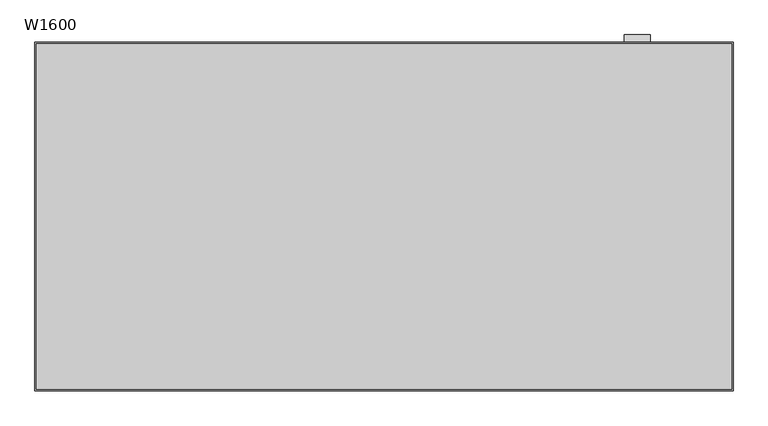
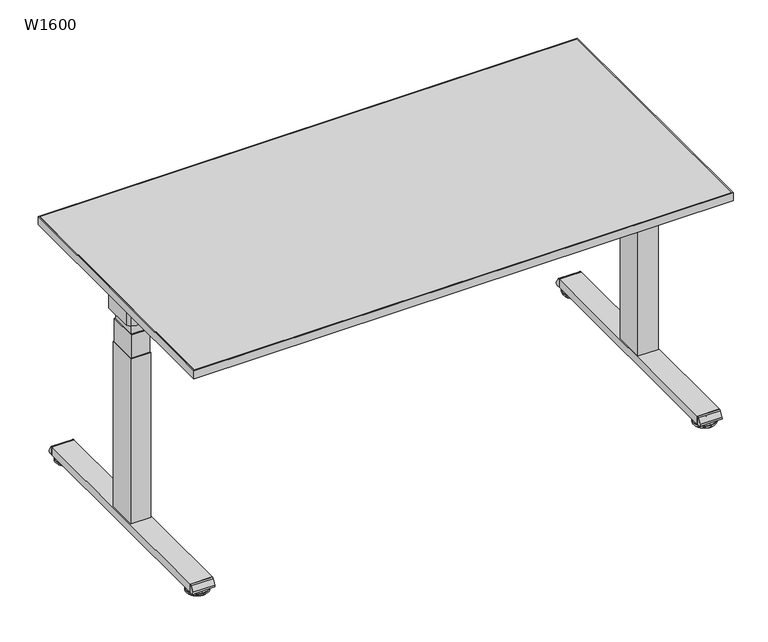
"""IFC4 building model written with IfcOpenShell, lengths in millimetres: furniture geometry, W1600."""

from ifc_helpers import new_model, si_unit, point, frame, frame_2d, origin, place, context, project, spatial, polyline, circle_curve, trimmed, segment, composite_curve, outline, extrude, faceted_brep, source, transform, mapped, element, save
from ifc_brep_helpers import plane_surface, cylinder_surface, revolved_surface, advanced_brep


def w1600_e3714540(model_context):
    return source(origin(), model_context, "Body", "SolidModel", [
        extrude(outline(polyline([(1509.0, 357.5), (91.0, 357.5), (91.0, 442.5), (1509.0, 442.5), (1509.0, 357.5)])), frame((0.0, 0.0, 667.0), z_axis=(0.0, 0.0, 1.0), x_axis=(1.0, 0.0, 0.0)), (0.0, 0.0, 1.0), 48.0),
        extrude(outline(composite_curve([segment(polyline([(1596.0, 444.4972027), (1596.0, 355.5027973)]), True, "CONTINUOUS"), segment(trimmed(circle_curve(frame_2d((1573.2844551, 370.6051429)), 27.2777716), [point((1596.0, 355.5027973))], [point((1585.2226587, 346.0785019))], False, "CARTESIAN"), True, "CONTINUOUS"), segment(trimmed(circle_curve(frame_2d((1567.407844, 382.6784442)), 40.705324), [point((1585.2226587, 346.0785019))], [point((1567.8222685, 341.9752299))], False, "CARTESIAN"), True, "CONTINUOUS"), segment(trimmed(circle_curve(frame_2d((1552.5, 1846.8708411)), 1504.9736119), [point((1567.8222685, 341.9752299))], [point((1537.1777315, 341.9752299))], False, "CARTESIAN"), True, "CONTINUOUS"), segment(trimmed(circle_curve(frame_2d((1537.592156, 382.6784442)), 40.705324), [point((1537.1777315, 341.9752299))], [point((1519.7773413, 346.0785019))], False, "CARTESIAN"), True, "CONTINUOUS"), segment(trimmed(circle_curve(frame_2d((1531.7155449, 370.6051429)), 27.2777716), [point((1519.7773413, 346.0785019))], [point((1509.0, 355.5027973))], False, "CARTESIAN"), True, "CONTINUOUS"), segment(polyline([(1509.0, 355.5027973), (1509.0, 444.4972027)]), True, "CONTINUOUS"), segment(trimmed(circle_curve(frame_2d((1531.7155449, 429.3948571)), 27.2777716), [point((1509.0, 444.4972027))], [point((1519.7773413, 453.9214981))], False, "CARTESIAN"), True, "CONTINUOUS"), segment(trimmed(circle_curve(frame_2d((1537.592156, 417.3215558)), 40.705324), [point((1519.7773413, 453.9214981))], [point((1537.1777315, 458.02477))], False, "CARTESIAN"), True, "CONTINUOUS"), segment(trimmed(circle_curve(frame_2d((1552.5, -1046.8708411)), 1504.9736119), [point((1537.1777315, 458.02477))], [point((1567.8222685, 458.02477))], False, "CARTESIAN"), True, "CONTINUOUS"), segment(trimmed(circle_curve(frame_2d((1567.407844, 417.3215558)), 40.705324), [point((1567.8222685, 458.02477))], [point((1585.2226587, 453.9214981))], False, "CARTESIAN"), True, "CONTINUOUS"), segment(trimmed(circle_curve(frame_2d((1573.2844551, 429.3948571)), 27.2777716), [point((1585.2226587, 453.9214981))], [point((1596.0, 444.4972027))], False, "CARTESIAN"), True, "CONTINUOUS")], self_intersect=False)), frame((0.0, 0.0, 667.0), z_axis=(0.0, 0.0, 1.0), x_axis=(1.0, 0.0, 0.0)), (0.0, 0.0, 1.0), 48.0),
        extrude(outline(composite_curve([segment(polyline([(755.0, 13.4998704), (755.0, 38.4999819), (755.9552679, 38.4999819)]), True, "CONTINUOUS"), segment(trimmed(circle_curve(frame_2d((755.9552679, 33.4999819)), 5.0), [point((755.9552679, 38.4999819))], [point((760.2856529, 35.999535))], False, "CARTESIAN"), True, "CONTINUOUS"), segment(polyline([(760.2856529, 35.999535), (768.9439076, 20.9994236)]), True, "CONTINUOUS"), segment(trimmed(circle_curve(frame_2d((764.6135226, 18.4998704)), 5.0), [point((768.9439076, 20.9994236))], [point((764.6135226, 13.4998704))], False, "CARTESIAN"), True, "CONTINUOUS"), segment(polyline([(764.6135226, 13.4998704), (755.0, 13.4998704)]), True, "CONTINUOUS")], self_intersect=False)), frame((1520.0, 0.0, 0.0), z_axis=(1.0, 0.0, 0.0), x_axis=(0.0, 1.0, 0.0)), (0.0, 0.0, 1.0), 65.0),
        extrude(outline(composite_curve([segment(polyline([(45.0, 13.4998704), (35.3864774, 13.4998704)]), True, "CONTINUOUS"), segment(trimmed(circle_curve(frame_2d((35.3864774, 18.4998704)), 5.0), [point((35.3864774, 13.4998704))], [point((31.0560924, 20.9994236))], False, "CARTESIAN"), True, "CONTINUOUS"), segment(polyline([(31.0560924, 20.9994236), (39.7143471, 35.999535)]), True, "CONTINUOUS"), segment(trimmed(circle_curve(frame_2d((44.0447321, 33.4999819)), 5.0), [point((39.7143471, 35.999535))], [point((44.0447321, 38.4999819))], False, "CARTESIAN"), True, "CONTINUOUS"), segment(polyline([(44.0447321, 38.4999819), (45.0, 38.4999819), (45.0, 13.4998704)]), True, "CONTINUOUS")], self_intersect=False)), frame((1520.0, 0.0, 0.0), z_axis=(1.0, 0.0, 0.0), x_axis=(0.0, 1.0, 0.0)), (0.0, 0.0, 1.0), 65.0),
        advanced_brep(
        [(1552.5, 735.0, 13.4998704), (1552.5, 742.5, 13.4998704), (1552.5, 727.5, 13.4998704), (1552.5, 742.5, 11.4998704), (1552.5, 727.5, 11.4998704), (1552.5, 744.9928712, 9.0069993), (1552.5, 725.0071288, 9.0069993), (1552.5, 766.5888193, 7.0812515), (1552.5, 703.4111807, 7.0812515), (1552.5, 767.5, 6.0852038), (1552.5, 702.5, 6.0852038), (1552.5, 767.5, 1.0), (1552.5, 702.5, 1.0), (1552.5, 766.5, 0.0), (1552.5, 703.5, 0.0), (1552.5, 735.0, 0.0)],
        [
            (0, 1),
            (1, 2, circle_curve(frame((1552.5, 735.0, 13.4998704), z_axis=(0.0, 0.0, 1.0), x_axis=(0.0, -1.0, 0.0)), 7.5)),
            (2, 0),
            (2, 1, circle_curve(frame((1552.5, 735.0, 13.4998704), z_axis=(0.0, 0.0, 1.0), x_axis=(0.0, -1.0, 0.0)), 7.5)),
            (1, 3),
            (3, 4, circle_curve(frame((1552.5, 735.0, 11.4998704), z_axis=(0.0, 0.0, 1.0), x_axis=(0.0, -1.0, 0.0)), 7.5)),
            (4, 2),
            (4, 3, circle_curve(frame((1552.5, 735.0, 11.4998704), z_axis=(0.0, 0.0, 1.0), x_axis=(0.0, -1.0, 0.0)), 7.5)),
            (3, 5),
            (5, 6, circle_curve(frame((1552.5, 735.0, 9.0069993), z_axis=(0.0, 0.0, 1.0), x_axis=(0.0, -1.0, 0.0)), 9.9928712)),
            (6, 4),
            (6, 5, circle_curve(frame((1552.5, 735.0, 9.0069993), z_axis=(0.0, 0.0, 1.0), x_axis=(0.0, -1.0, 0.0)), 9.9928712)),
            (5, 7),
            (7, 8, circle_curve(frame((1552.5, 735.0, 7.0812515), z_axis=(0.0, 0.0, 1.0), x_axis=(0.0, -1.0, 0.0)), 31.5888193)),
            (8, 6),
            (8, 7, circle_curve(frame((1552.5, 735.0, 7.0812515), z_axis=(0.0, 0.0, 1.0), x_axis=(0.0, -1.0, 0.0)), 31.5888193)),
            (7, 9),
            (9, 10, circle_curve(frame((1552.5, 735.0, 6.0852038), z_axis=(0.0, 0.0, 1.0), x_axis=(0.0, -1.0, 0.0)), 32.5)),
            (10, 8),
            (10, 9, circle_curve(frame((1552.5, 735.0, 6.0852038), z_axis=(0.0, 0.0, 1.0), x_axis=(0.0, -1.0, 0.0)), 32.5)),
            (9, 11),
            (11, 12, circle_curve(frame((1552.5, 735.0, 1.0), z_axis=(0.0, 0.0, 1.0), x_axis=(0.0, -1.0, 0.0)), 32.5)),
            (12, 10),
            (12, 11, circle_curve(frame((1552.5, 735.0, 1.0), z_axis=(0.0, 0.0, 1.0), x_axis=(0.0, -1.0, 0.0)), 32.5)),
            (11, 13),
            (13, 14, circle_curve(frame((1552.5, 735.0, 0.0), z_axis=(0.0, 0.0, 1.0), x_axis=(0.0, -1.0, 0.0)), 31.5)),
            (14, 12),
            (14, 13, circle_curve(frame((1552.5, 735.0, 0.0), z_axis=(0.0, 0.0, 1.0), x_axis=(0.0, -1.0, 0.0)), 31.5)),
            (13, 15),
            (15, 14),
        ],
        [
            plane_surface(frame((1552.5, 735.0, 13.4998704), z_axis=(0.0, 0.0, 1.0), x_axis=(0.0, -1.0, 0.0))),
            cylinder_surface(frame((1552.5, 735.0, -1.9309494), z_axis=(0.0, 0.0, 1.0), x_axis=(0.0, -1.0, 0.0)), 7.5),
            revolved_surface(polyline([(1552.5, 725.0071288, 9.0069993), (1552.5, 727.5, 11.4998704)]), (1552.5, 735.0, -1.9309494), (0.0, 0.0, 1.0)),
            revolved_surface(polyline([(1552.5, 703.4111807, 7.0812515), (1552.5, 725.0071288, 9.0069993)]), (1552.5, 735.0, -1.9309494), (0.0, 0.0, 1.0)),
            revolved_surface(polyline([(1552.5, 702.5, 6.0852038), (1552.5, 703.4111807, 7.0812515)]), (1552.5, 735.0, -1.9309494), (0.0, 0.0, 1.0)),
            cylinder_surface(frame((1552.5, 735.0, -1.9309494), z_axis=(0.0, 0.0, 1.0), x_axis=(0.0, -1.0, 0.0)), 32.5),
            revolved_surface(polyline([(1552.5, 703.5, 0.0), (1552.5, 702.5, 1.0)]), (1552.5, 735.0, -1.9309494), (0.0, 0.0, 1.0)),
            plane_surface(frame((1552.5, 735.0, 0.0), z_axis=(0.0, 0.0, -1.0), x_axis=(0.0, -1.0, 0.0))),
        ],
        [
            (0, [[1, 2, 3]]),
            (0, [[-3, 4, -1]]),
            (1, [[5, 6, 7, -2]]),
            (1, [[-7, 8, -5, -4]]),
            (2, [[9, 10, 11, -6]]),
            (2, [[-11, 12, -9, -8]]),
            (3, [[13, 14, 15, -10]]),
            (3, [[-15, 16, -13, -12]]),
            (4, [[17, 18, 19, -14]]),
            (4, [[-19, 20, -17, -16]]),
            (5, [[21, 22, 23, -18]]),
            (5, [[-23, 24, -21, -20]]),
            (6, [[25, 26, 27, -22]]),
            (6, [[-27, 28, -25, -24]]),
            (7, [[29, 30, -26]]),
            (7, [[-30, -29, -28]]),
        ],
    ),
        advanced_brep(
        [(1552.5, 57.5, 13.4998704), (1552.5, 65.0, 13.4998704), (1552.5, 72.5, 13.4998704), (1552.5, 57.5, 11.4998704), (1552.5, 72.5, 11.4998704), (1552.5, 55.0071288, 9.0069993), (1552.5, 74.9928712, 9.0069993), (1552.5, 33.4111807, 7.0812515), (1552.5, 96.5888193, 7.0812515), (1552.5, 32.5, 6.0852038), (1552.5, 97.5, 6.0852038), (1552.5, 32.5, 1.0), (1552.5, 97.5, 1.0), (1552.5, 33.5, 0.0), (1552.5, 96.5, 0.0), (1552.5, 65.0, 0.0)],
        [
            (0, 1),
            (1, 2),
            (2, 0, circle_curve(frame((1552.5, 65.0, 13.4998704), z_axis=(0.0, 0.0, 1.0), x_axis=(0.0, 1.0, 0.0)), 7.5)),
            (0, 2, circle_curve(frame((1552.5, 65.0, 13.4998704), z_axis=(0.0, 0.0, 1.0), x_axis=(0.0, 1.0, 0.0)), 7.5)),
            (3, 0),
            (2, 4),
            (4, 3, circle_curve(frame((1552.5, 65.0, 11.4998704), z_axis=(0.0, 0.0, 1.0), x_axis=(0.0, 1.0, 0.0)), 7.5)),
            (3, 4, circle_curve(frame((1552.5, 65.0, 11.4998704), z_axis=(0.0, 0.0, 1.0), x_axis=(0.0, 1.0, 0.0)), 7.5)),
            (5, 3),
            (4, 6),
            (6, 5, circle_curve(frame((1552.5, 65.0, 9.0069993), z_axis=(0.0, 0.0, 1.0), x_axis=(0.0, 1.0, 0.0)), 9.9928712)),
            (5, 6, circle_curve(frame((1552.5, 65.0, 9.0069993), z_axis=(0.0, 0.0, 1.0), x_axis=(0.0, 1.0, 0.0)), 9.9928712)),
            (7, 5),
            (6, 8),
            (8, 7, circle_curve(frame((1552.5, 65.0, 7.0812515), z_axis=(0.0, 0.0, 1.0), x_axis=(0.0, 1.0, 0.0)), 31.5888193)),
            (7, 8, circle_curve(frame((1552.5, 65.0, 7.0812515), z_axis=(0.0, 0.0, 1.0), x_axis=(0.0, 1.0, 0.0)), 31.5888193)),
            (9, 7),
            (8, 10),
            (10, 9, circle_curve(frame((1552.5, 65.0, 6.0852038), z_axis=(0.0, 0.0, 1.0), x_axis=(0.0, 1.0, 0.0)), 32.5)),
            (9, 10, circle_curve(frame((1552.5, 65.0, 6.0852038), z_axis=(0.0, 0.0, 1.0), x_axis=(0.0, 1.0, 0.0)), 32.5)),
            (11, 9),
            (10, 12),
            (12, 11, circle_curve(frame((1552.5, 65.0, 1.0), z_axis=(0.0, 0.0, 1.0), x_axis=(0.0, 1.0, 0.0)), 32.5)),
            (11, 12, circle_curve(frame((1552.5, 65.0, 1.0), z_axis=(0.0, 0.0, 1.0), x_axis=(0.0, 1.0, 0.0)), 32.5)),
            (13, 11),
            (12, 14),
            (14, 13, circle_curve(frame((1552.5, 65.0, 0.0), z_axis=(0.0, 0.0, 1.0), x_axis=(0.0, 1.0, 0.0)), 31.5)),
            (13, 14, circle_curve(frame((1552.5, 65.0, 0.0), z_axis=(0.0, 0.0, 1.0), x_axis=(0.0, 1.0, 0.0)), 31.5)),
            (15, 13),
            (14, 15),
        ],
        [
            plane_surface(frame((1552.5, 65.0, 13.4998704), z_axis=(0.0, 0.0, 1.0), x_axis=(0.0, 1.0, 0.0))),
            cylinder_surface(frame((1552.5, 65.0, -1.9309494), z_axis=(0.0, 0.0, -1.0), x_axis=(0.0, 1.0, 0.0)), 7.5),
            revolved_surface(polyline([(1552.5, 72.5, 11.4998704), (1552.5, 74.9928712, 9.0069993)]), (1552.5, 65.0, -1.9309494), (0.0, 0.0, -1.0)),
            revolved_surface(polyline([(1552.5, 74.9928712, 9.0069993), (1552.5, 96.5888193, 7.0812515)]), (1552.5, 65.0, -1.9309494), (0.0, 0.0, -1.0)),
            revolved_surface(polyline([(1552.5, 96.5888193, 7.0812515), (1552.5, 97.5, 6.0852038)]), (1552.5, 65.0, -1.9309494), (0.0, 0.0, -1.0)),
            cylinder_surface(frame((1552.5, 65.0, -1.9309494), z_axis=(0.0, 0.0, -1.0), x_axis=(0.0, 1.0, 0.0)), 32.5),
            revolved_surface(polyline([(1552.5, 97.5, 1.0), (1552.5, 96.5, 0.0)]), (1552.5, 65.0, -1.9309494), (0.0, 0.0, -1.0)),
            plane_surface(frame((1552.5, 65.0, 0.0), z_axis=(0.0, 0.0, -1.0), x_axis=(0.0, 1.0, 0.0))),
        ],
        [
            (0, [[1, 2, 3]]),
            (0, [[-2, -1, 4]]),
            (1, [[5, -3, 6, 7]]),
            (1, [[-6, -4, -5, 8]]),
            (2, [[9, -7, 10, 11]]),
            (2, [[-10, -8, -9, 12]]),
            (3, [[13, -11, 14, 15]]),
            (3, [[-14, -12, -13, 16]]),
            (4, [[17, -15, 18, 19]]),
            (4, [[-18, -16, -17, 20]]),
            (5, [[21, -19, 22, 23]]),
            (5, [[-22, -20, -21, 24]]),
            (6, [[25, -23, 26, 27]]),
            (6, [[-26, -24, -25, 28]]),
            (7, [[29, -27, 30]]),
            (7, [[-30, -28, -29]]),
        ],
    ),
        extrude(outline(polyline([(1527.5, 360.0), (1527.5, 440.0), (1577.5, 440.0), (1577.5, 360.0), (1527.5, 360.0)])), frame((0.0, 0.0, 629.7499909), z_axis=(0.0, 0.0, 1.0), x_axis=(1.0, 0.0, 0.0)), (0.0, 0.0, 1.0), 73.2500091),
        extrude(outline(polyline([(1525.0, 357.5), (1525.0, 442.5), (1580.0, 442.5), (1580.0, 357.5), (1525.0, 357.5)])), frame((0.0, 0.0, 556.4999819), z_axis=(0.0, 0.0, 1.0), x_axis=(1.0, 0.0, 0.0)), (0.0, 0.0, 1.0), 73.2500091),
        extrude(outline(polyline([(1522.5, 355.0), (1522.5, 445.0), (1582.5, 445.0), (1582.5, 355.0), (1522.5, 355.0)])), frame((0.0, 0.0, 38.4999819), z_axis=(0.0, 0.0, 1.0), x_axis=(1.0, 0.0, 0.0)), (0.0, 0.0, 1.0), 518.0),
        extrude(outline(polyline([(1585.0, 755.0), (1585.0, 45.0), (1520.0, 45.0), (1520.0, 755.0), (1585.0, 755.0)])), frame((0.0, 0.0, 13.4998704), z_axis=(0.0, 0.0, 1.0), x_axis=(1.0, 0.0, 0.0)), (0.0, 0.0, 1.0), 25.0001114),
        faceted_brep([(72.5, 360.0, 703.0), (72.5, 440.0, 703.0), (22.5, 440.0, 703.0), (22.5, 360.0, 703.0), (22.5, 360.0, 629.7499909), (72.5, 360.0, 629.7499909), (22.5, 440.0, 629.7499909), (72.5, 440.0, 629.7499909), (75.0, 357.5, 629.7499909), (75.0, 442.5, 629.7499909), (20.0, 442.5, 629.7499909), (20.0, 357.5, 629.7499909), (75.0, 357.5, 556.4999819), (20.0, 357.5, 556.4999819), (20.0, 442.5, 556.4999819), (75.0, 442.5, 556.4999819)], [[[0, 1, 2, 3]], [[3, 4, 5, 0]], [[2, 6, 4, 3]], [[1, 7, 6, 2]], [[0, 5, 7, 1]], [[8, 9, 10, 11], [4, 6, 7, 5]], [[12, 13, 14, 15]], [[11, 13, 12, 8]], [[10, 14, 13, 11]], [[9, 15, 14, 10]], [[8, 12, 15, 9]]]),
        extrude(outline(composite_curve([segment(trimmed(circle_curve(frame_2d((26.7155449, 429.3948571)), 27.2777716), [point((4.0, 444.4972027))], [point((14.7773413, 453.9214981))], False, "CARTESIAN"), True, "CONTINUOUS"), segment(trimmed(circle_curve(frame_2d((32.592156, 417.3215558)), 40.705324), [point((14.7773413, 453.9214981))], [point((32.1777315, 458.02477))], False, "CARTESIAN"), True, "CONTINUOUS"), segment(trimmed(circle_curve(frame_2d((47.5, -1046.8708411)), 1504.9736119), [point((32.1777315, 458.02477))], [point((62.8222685, 458.02477))], False, "CARTESIAN"), True, "CONTINUOUS"), segment(trimmed(circle_curve(frame_2d((62.407844, 417.3215558)), 40.705324), [point((62.8222685, 458.02477))], [point((80.2226587, 453.9214981))], False, "CARTESIAN"), True, "CONTINUOUS"), segment(trimmed(circle_curve(frame_2d((68.2844551, 429.3948571)), 27.2777716), [point((80.2226587, 453.9214981))], [point((91.0, 444.4972027))], False, "CARTESIAN"), True, "CONTINUOUS"), segment(polyline([(91.0, 444.4972027), (91.0, 355.5027973)]), True, "CONTINUOUS"), segment(trimmed(circle_curve(frame_2d((68.2844551, 370.6051429)), 27.2777716), [point((91.0, 355.5027973))], [point((80.2226587, 346.0785019))], False, "CARTESIAN"), True, "CONTINUOUS"), segment(trimmed(circle_curve(frame_2d((62.407844, 382.6784442)), 40.705324), [point((80.2226587, 346.0785019))], [point((62.8222685, 341.97523))], False, "CARTESIAN"), True, "CONTINUOUS"), segment(trimmed(circle_curve(frame_2d((47.5, 1846.8708411)), 1504.9736119), [point((62.8222685, 341.97523))], [point((32.1777315, 341.97523))], False, "CARTESIAN"), True, "CONTINUOUS"), segment(trimmed(circle_curve(frame_2d((32.592156, 382.6784442)), 40.705324), [point((32.1777315, 341.97523))], [point((14.7773413, 346.0785019))], False, "CARTESIAN"), True, "CONTINUOUS"), segment(trimmed(circle_curve(frame_2d((26.7155449, 370.6051429)), 27.2777716), [point((14.7773413, 346.0785019))], [point((4.0, 355.5027973))], False, "CARTESIAN"), True, "CONTINUOUS"), segment(polyline([(4.0, 355.5027973), (4.0, 444.4972027)]), True, "CONTINUOUS")], self_intersect=False)), frame((0.0, 0.0, 667.0), z_axis=(0.0, 0.0, 1.0), x_axis=(1.0, 0.0, 0.0)), (0.0, 0.0, 1.0), 48.0),
        extrude(outline(composite_curve([segment(polyline([(755.0, 13.4998704), (755.0, 38.4999819), (755.9552679, 38.4999819)]), True, "CONTINUOUS"), segment(trimmed(circle_curve(frame_2d((755.9552679, 33.4999819)), 5.0), [point((755.9552679, 38.4999819))], [point((760.2856529, 35.999535))], False, "CARTESIAN"), True, "CONTINUOUS"), segment(polyline([(760.2856529, 35.999535), (768.9439076, 20.9994236)]), True, "CONTINUOUS"), segment(trimmed(circle_curve(frame_2d((764.6135226, 18.4998704)), 5.0), [point((768.9439076, 20.9994236))], [point((764.6135226, 13.4998704))], False, "CARTESIAN"), True, "CONTINUOUS"), segment(polyline([(764.6135226, 13.4998704), (755.0, 13.4998704)]), True, "CONTINUOUS")], self_intersect=False)), frame((15.0, 0.0, 0.0), z_axis=(1.0, 0.0, 0.0), x_axis=(0.0, 1.0, 0.0)), (0.0, 0.0, 1.0), 65.0),
        extrude(outline(composite_curve([segment(polyline([(45.0, 13.4998704), (35.3864774, 13.4998704)]), True, "CONTINUOUS"), segment(trimmed(circle_curve(frame_2d((35.3864774, 18.4998704)), 5.0), [point((35.3864774, 13.4998704))], [point((31.0560924, 20.9994236))], False, "CARTESIAN"), True, "CONTINUOUS"), segment(polyline([(31.0560924, 20.9994236), (39.7143471, 35.999535)]), True, "CONTINUOUS"), segment(trimmed(circle_curve(frame_2d((44.0447321, 33.4999819)), 5.0), [point((39.7143471, 35.999535))], [point((44.0447321, 38.4999819))], False, "CARTESIAN"), True, "CONTINUOUS"), segment(polyline([(44.0447321, 38.4999819), (45.0, 38.4999819), (45.0, 13.4998704)]), True, "CONTINUOUS")], self_intersect=False)), frame((15.0, 0.0, 0.0), z_axis=(1.0, 0.0, 0.0), x_axis=(0.0, 1.0, 0.0)), (0.0, 0.0, 1.0), 65.0),
        advanced_brep(
        [(47.5, 742.5, 13.4998704), (47.5, 735.0, 13.4998704), (47.5, 727.5, 13.4998704), (47.5, 742.5, 11.4998704), (47.5, 727.5, 11.4998704), (47.5, 744.9928712, 9.0069993), (47.5, 725.0071288, 9.0069993), (47.5, 766.5888193, 7.0812515), (47.5, 703.4111807, 7.0812515), (47.5, 767.5, 6.0852038), (47.5, 702.5, 6.0852038), (47.5, 767.5, 1.0), (47.5, 702.5, 1.0), (47.5, 766.5, 0.0), (47.5, 703.5, 0.0), (47.5, 735.0, 0.0)],
        [
            (0, 1),
            (1, 2),
            (2, 0, circle_curve(frame((47.5, 735.0, 13.4998704), z_axis=(0.0, 0.0, 1.0), x_axis=(0.0, -1.0, 0.0)), 7.5)),
            (0, 2, circle_curve(frame((47.5, 735.0, 13.4998704), z_axis=(0.0, 0.0, 1.0), x_axis=(0.0, -1.0, 0.0)), 7.5)),
            (3, 0),
            (2, 4),
            (4, 3, circle_curve(frame((47.5, 735.0, 11.4998704), z_axis=(0.0, 0.0, 1.0), x_axis=(0.0, -1.0, 0.0)), 7.5)),
            (3, 4, circle_curve(frame((47.5, 735.0, 11.4998704), z_axis=(0.0, 0.0, 1.0), x_axis=(0.0, -1.0, 0.0)), 7.5)),
            (5, 3),
            (4, 6),
            (6, 5, circle_curve(frame((47.5, 735.0, 9.0069993), z_axis=(0.0, 0.0, 1.0), x_axis=(0.0, -1.0, 0.0)), 9.9928712)),
            (5, 6, circle_curve(frame((47.5, 735.0, 9.0069993), z_axis=(0.0, 0.0, 1.0), x_axis=(0.0, -1.0, 0.0)), 9.9928712)),
            (7, 5),
            (6, 8),
            (8, 7, circle_curve(frame((47.5, 735.0, 7.0812515), z_axis=(0.0, 0.0, 1.0), x_axis=(0.0, -1.0, 0.0)), 31.5888193)),
            (7, 8, circle_curve(frame((47.5, 735.0, 7.0812515), z_axis=(0.0, 0.0, 1.0), x_axis=(0.0, -1.0, 0.0)), 31.5888193)),
            (9, 7),
            (8, 10),
            (10, 9, circle_curve(frame((47.5, 735.0, 6.0852038), z_axis=(0.0, 0.0, 1.0), x_axis=(0.0, -1.0, 0.0)), 32.5)),
            (9, 10, circle_curve(frame((47.5, 735.0, 6.0852038), z_axis=(0.0, 0.0, 1.0), x_axis=(0.0, -1.0, 0.0)), 32.5)),
            (11, 9),
            (10, 12),
            (12, 11, circle_curve(frame((47.5, 735.0, 1.0), z_axis=(0.0, 0.0, 1.0), x_axis=(0.0, -1.0, 0.0)), 32.5)),
            (11, 12, circle_curve(frame((47.5, 735.0, 1.0), z_axis=(0.0, 0.0, 1.0), x_axis=(0.0, -1.0, 0.0)), 32.5)),
            (13, 11),
            (12, 14),
            (14, 13, circle_curve(frame((47.5, 735.0, 0.0), z_axis=(0.0, 0.0, 1.0), x_axis=(0.0, -1.0, 0.0)), 31.5)),
            (13, 14, circle_curve(frame((47.5, 735.0, 0.0), z_axis=(0.0, 0.0, 1.0), x_axis=(0.0, -1.0, 0.0)), 31.5)),
            (15, 13),
            (14, 15),
        ],
        [
            plane_surface(frame((47.5, 735.0, 13.4998704), z_axis=(0.0, 0.0, 1.0), x_axis=(0.0, -1.0, 0.0))),
            cylinder_surface(frame((47.5, 735.0, -1.9309494), z_axis=(0.0, 0.0, -1.0), x_axis=(0.0, -1.0, 0.0)), 7.5),
            revolved_surface(polyline([(47.5, 727.5, 11.4998704), (47.5, 725.0071288, 9.0069993)]), (47.5, 735.0, -1.9309494), (0.0, 0.0, -1.0)),
            revolved_surface(polyline([(47.5, 725.0071288, 9.0069993), (47.5, 703.4111807, 7.0812515)]), (47.5, 735.0, -1.9309494), (0.0, 0.0, -1.0)),
            revolved_surface(polyline([(47.5, 703.4111807, 7.0812515), (47.5, 702.5, 6.0852038)]), (47.5, 735.0, -1.9309494), (0.0, 0.0, -1.0)),
            cylinder_surface(frame((47.5, 735.0, -1.9309494), z_axis=(0.0, 0.0, -1.0), x_axis=(0.0, -1.0, 0.0)), 32.5),
            revolved_surface(polyline([(47.5, 702.5, 1.0), (47.5, 703.5, 0.0)]), (47.5, 735.0, -1.9309494), (0.0, 0.0, -1.0)),
            plane_surface(frame((47.5, 735.0, 0.0), z_axis=(0.0, 0.0, -1.0), x_axis=(0.0, -1.0, 0.0))),
        ],
        [
            (0, [[1, 2, 3]]),
            (0, [[-2, -1, 4]]),
            (1, [[5, -3, 6, 7]]),
            (1, [[-6, -4, -5, 8]]),
            (2, [[9, -7, 10, 11]]),
            (2, [[-10, -8, -9, 12]]),
            (3, [[13, -11, 14, 15]]),
            (3, [[-14, -12, -13, 16]]),
            (4, [[17, -15, 18, 19]]),
            (4, [[-18, -16, -17, 20]]),
            (5, [[21, -19, 22, 23]]),
            (5, [[-22, -20, -21, 24]]),
            (6, [[25, -23, 26, 27]]),
            (6, [[-26, -24, -25, 28]]),
            (7, [[29, -27, 30]]),
            (7, [[-30, -28, -29]]),
        ],
    ),
        advanced_brep(
        [(47.5, 65.0, 13.4998704), (47.5, 57.5, 13.4998704), (47.5, 72.5, 13.4998704), (47.5, 57.5, 11.4998704), (47.5, 72.5, 11.4998704), (47.5, 55.0071288, 9.0069993), (47.5, 74.9928712, 9.0069993), (47.5, 33.4111807, 7.0812515), (47.5, 96.5888193, 7.0812515), (47.5, 32.5, 6.0852038), (47.5, 97.5, 6.0852038), (47.5, 32.5, 1.0), (47.5, 97.5, 1.0), (47.5, 33.5, 0.0), (47.5, 96.5, 0.0), (47.5, 65.0, 0.0)],
        [
            (0, 1),
            (1, 2, circle_curve(frame((47.5, 65.0, 13.4998704), z_axis=(0.0, 0.0, 1.0), x_axis=(0.0, 1.0, 0.0)), 7.5)),
            (2, 0),
            (2, 1, circle_curve(frame((47.5, 65.0, 13.4998704), z_axis=(0.0, 0.0, 1.0), x_axis=(0.0, 1.0, 0.0)), 7.5)),
            (1, 3),
            (3, 4, circle_curve(frame((47.5, 65.0, 11.4998704), z_axis=(0.0, 0.0, 1.0), x_axis=(0.0, 1.0, 0.0)), 7.5)),
            (4, 2),
            (4, 3, circle_curve(frame((47.5, 65.0, 11.4998704), z_axis=(0.0, 0.0, 1.0), x_axis=(0.0, 1.0, 0.0)), 7.5)),
            (3, 5),
            (5, 6, circle_curve(frame((47.5, 65.0, 9.0069993), z_axis=(0.0, 0.0, 1.0), x_axis=(0.0, 1.0, 0.0)), 9.9928712)),
            (6, 4),
            (6, 5, circle_curve(frame((47.5, 65.0, 9.0069993), z_axis=(0.0, 0.0, 1.0), x_axis=(0.0, 1.0, 0.0)), 9.9928712)),
            (5, 7),
            (7, 8, circle_curve(frame((47.5, 65.0, 7.0812515), z_axis=(0.0, 0.0, 1.0), x_axis=(0.0, 1.0, 0.0)), 31.5888193)),
            (8, 6),
            (8, 7, circle_curve(frame((47.5, 65.0, 7.0812515), z_axis=(0.0, 0.0, 1.0), x_axis=(0.0, 1.0, 0.0)), 31.5888193)),
            (7, 9),
            (9, 10, circle_curve(frame((47.5, 65.0, 6.0852038), z_axis=(0.0, 0.0, 1.0), x_axis=(0.0, 1.0, 0.0)), 32.5)),
            (10, 8),
            (10, 9, circle_curve(frame((47.5, 65.0, 6.0852038), z_axis=(0.0, 0.0, 1.0), x_axis=(0.0, 1.0, 0.0)), 32.5)),
            (9, 11),
            (11, 12, circle_curve(frame((47.5, 65.0, 1.0), z_axis=(0.0, 0.0, 1.0), x_axis=(0.0, 1.0, 0.0)), 32.5)),
            (12, 10),
            (12, 11, circle_curve(frame((47.5, 65.0, 1.0), z_axis=(0.0, 0.0, 1.0), x_axis=(0.0, 1.0, 0.0)), 32.5)),
            (11, 13),
            (13, 14, circle_curve(frame((47.5, 65.0, 0.0), z_axis=(0.0, 0.0, 1.0), x_axis=(0.0, 1.0, 0.0)), 31.5)),
            (14, 12),
            (14, 13, circle_curve(frame((47.5, 65.0, 0.0), z_axis=(0.0, 0.0, 1.0), x_axis=(0.0, 1.0, 0.0)), 31.5)),
            (13, 15),
            (15, 14),
        ],
        [
            plane_surface(frame((47.5, 65.0, 13.4998704), z_axis=(0.0, 0.0, 1.0), x_axis=(0.0, 1.0, 0.0))),
            cylinder_surface(frame((47.5, 65.0, -1.9309494), z_axis=(0.0, 0.0, 1.0), x_axis=(0.0, 1.0, 0.0)), 7.5),
            revolved_surface(polyline([(47.5, 74.9928712, 9.0069993), (47.5, 72.5, 11.4998704)]), (47.5, 65.0, -1.9309494), (0.0, 0.0, 1.0)),
            revolved_surface(polyline([(47.5, 96.5888193, 7.0812515), (47.5, 74.9928712, 9.0069993)]), (47.5, 65.0, -1.9309494), (0.0, 0.0, 1.0)),
            revolved_surface(polyline([(47.5, 97.5, 6.0852038), (47.5, 96.5888193, 7.0812515)]), (47.5, 65.0, -1.9309494), (0.0, 0.0, 1.0)),
            cylinder_surface(frame((47.5, 65.0, -1.9309494), z_axis=(0.0, 0.0, 1.0), x_axis=(0.0, 1.0, 0.0)), 32.5),
            revolved_surface(polyline([(47.5, 96.5, 0.0), (47.5, 97.5, 1.0)]), (47.5, 65.0, -1.9309494), (0.0, 0.0, 1.0)),
            plane_surface(frame((47.5, 65.0, 0.0), z_axis=(0.0, 0.0, -1.0), x_axis=(0.0, 1.0, 0.0))),
        ],
        [
            (0, [[1, 2, 3]]),
            (0, [[-3, 4, -1]]),
            (1, [[5, 6, 7, -2]]),
            (1, [[-7, 8, -5, -4]]),
            (2, [[9, 10, 11, -6]]),
            (2, [[-11, 12, -9, -8]]),
            (3, [[13, 14, 15, -10]]),
            (3, [[-15, 16, -13, -12]]),
            (4, [[17, 18, 19, -14]]),
            (4, [[-19, 20, -17, -16]]),
            (5, [[21, 22, 23, -18]]),
            (5, [[-23, 24, -21, -20]]),
            (6, [[25, 26, 27, -22]]),
            (6, [[-27, 28, -25, -24]]),
            (7, [[29, 30, -26]]),
            (7, [[-30, -29, -28]]),
        ],
    ),
        extrude(outline(polyline([(77.5, 355.0), (17.5, 355.0), (17.5, 445.0), (77.5, 445.0), (77.5, 355.0)])), frame((0.0, 0.0, 38.4999819), z_axis=(0.0, 0.0, 1.0), x_axis=(1.0, 0.0, 0.0)), (0.0, 0.0, 1.0), 518.0),
        extrude(outline(polyline([(80.0, 755.0), (80.0, 45.0), (15.0, 45.0), (15.0, 755.0), (80.0, 755.0)])), frame((0.0, 0.0, 13.4998704), z_axis=(0.0, 0.0, 1.0), x_axis=(1.0, 0.0, 0.0)), (0.0, 0.0, 1.0), 25.0001114),
        extrude(outline(polyline([(800.038841, 715.0), (816.7019256, 698.3369154), (816.7019256, 696.435965), (810.5785737, 690.3126131), (808.5703339, 690.3126131), (794.5891325, 704.2938145), (766.0381088, 704.2938145), (766.0381088, 715.0), (800.038841, 715.0)])), frame((1350.0, 0.0, 0.0), z_axis=(1.0, 0.0, 0.0), x_axis=(0.0, 1.0, 0.0)), (0.0, 0.0, 1.0), 60.0),
        extrude(outline(polyline([(1597.0, 3.0), (3.0, 3.0), (3.0, 797.0), (1597.0, 797.0), (1597.0, 3.0)])), frame((0.0, 0.0, 715.0), z_axis=(0.0, 0.0, 1.0), x_axis=(1.0, 0.0, 0.0)), (0.0, 0.0, 1.0), 25.0),
        extrude(outline(polyline([(1600.0, 0.0), (0.0, 0.0), (0.0, 800.0), (1600.0, 800.0), (1600.0, 0.0)]), holes=[polyline([(1597.0, 3.0), (1597.0, 797.0), (3.0, 797.0), (3.0, 3.0), (1597.0, 3.0)])]), frame((0.0, 0.0, 715.0), z_axis=(0.0, 0.0, 1.0), x_axis=(1.0, 0.0, 0.0)), (0.0, 0.0, 1.0), 25.0),
    ])


if __name__ == "__main__":
    model = new_model("IFC4")
    model_context = context("Model", 3, world=origin())
    ifc_project = project(units=[si_unit("LENGTHUNIT", "METRE", prefix="MILLI")], contexts=[model_context])
    site = spatial("IfcSite", under=ifc_project)
    building = spatial("IfcBuilding", under=site)
    placement = place(None, origin())
    w1600_shape = w1600_e3714540(model_context)
    element("IfcFurniture", 1, ObjectType="W1600", at=placement, inside=building, context=model_context, shape_type="MappedRepresentation", body=[
        mapped(w1600_shape, transform((0.0, 0.0, 0.0), x_axis=(1.0, 0.0, 0.0), y_axis=(0.0, 1.0, 0.0), z_axis=(0.0, 0.0, 1.0))),
    ])
    save(model, "model.ifc")
